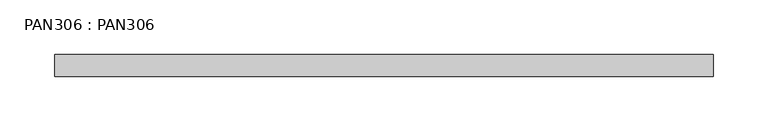
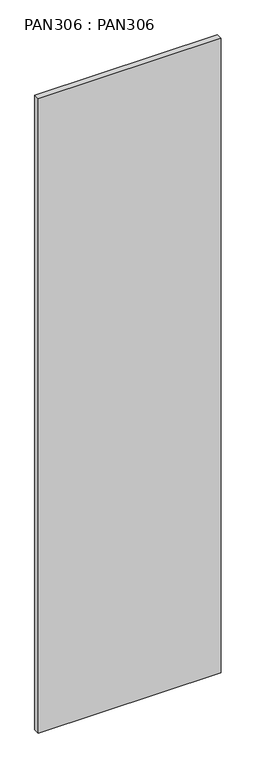
"""IFC4 building model written with IfcOpenShell, lengths in millimetres: proxy geometry, PAN306 : PAN306."""

from ifc_helpers import new_model, si_unit, origin, origin_with_axes, place, context, project, spatial, polyline, outline, extrude, source, transform, mapped, element, save


def pan306_pan306_33b49785(model_context):
    return source(origin(), model_context, "Body", "SweptSolid", [
        extrude(outline(polyline([(600.0000046, 0.0), (600.0000046, -20.0000011), (0.0, -20.0000011), (0.0, 0.0), (600.0000046, 0.0)])), origin_with_axes(), (0.0, 0.0, 1.0), 2200.0000168),
    ])


if __name__ == "__main__":
    model = new_model("IFC4")
    model_context = context("Model", 3, world=origin())
    ifc_project = project(units=[si_unit("LENGTHUNIT", "METRE", prefix="MILLI")], contexts=[model_context])
    site = spatial("IfcSite", under=ifc_project)
    building = spatial("IfcBuilding", under=site)
    placement = place(None, origin())
    pan306_pan306_shape = pan306_pan306_33b49785(model_context)
    element("IfcBuildingElementProxy", 1, Name="PAN306 : PAN306", ObjectType="PAN306 : PAN306", at=placement, inside=building, context=model_context, shape_type="MappedRepresentation", body=[
        mapped(pan306_pan306_shape, transform((0.0, 0.0, 0.0), x_axis=(1.0, 0.0, 0.0), y_axis=(0.0, 1.0, 0.0), z_axis=(0.0, 0.0, 1.0))),
    ])
    save(model, "model.ifc")
